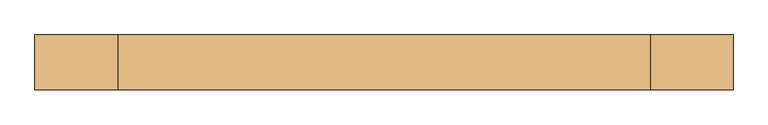
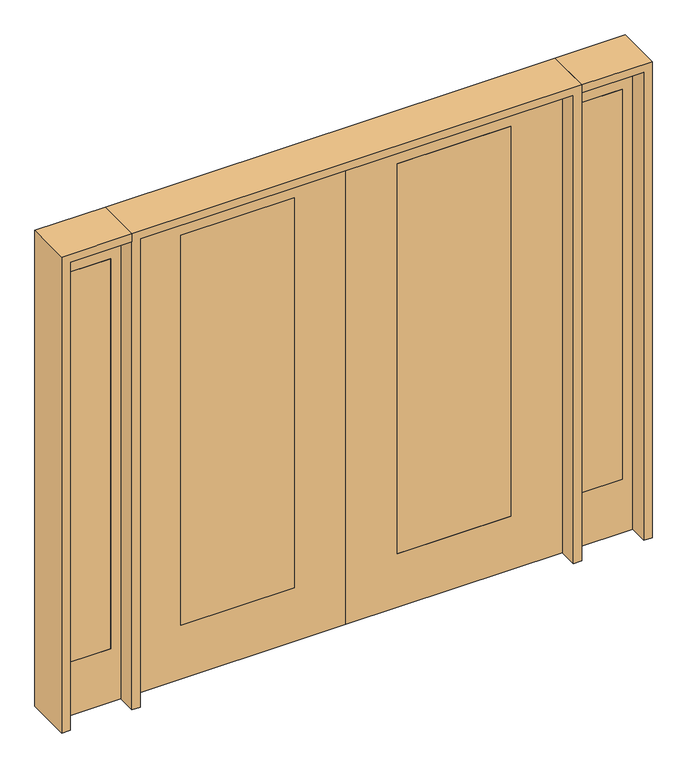
"""IFC4 building model written with IfcOpenShell, lengths in millimetres: door geometry."""

from ifc_helpers import new_model, si_unit, frame, origin, place, context, project, spatial, polyline, outline, extrude, source, transform, mapped, element, save


def door_075dea44(model_context):
    return source(origin(), model_context, "Body", "SweptSolid", [
        extrude(outline(polyline([(1362.075, 20.6375), (1362.075, -20.6375), (1158.875, -20.6375), (1158.875, 20.6375), (1362.075, 20.6375)])), frame((0.0, 0.0, 279.4), z_axis=(0.0, 0.0, 1.0), x_axis=(1.0, 0.0, 0.0)), (0.0, 0.0, 1.0), 2032.0),
        extrude(outline(polyline([(0.0, 1108.075), (0.0, 1412.875), (2438.4, 1412.875), (2438.4, 1108.075), (0.0, 1108.075)]), holes=[polyline([(2311.4, 1362.075), (279.4, 1362.075), (279.4, 1158.875), (2311.4, 1158.875), (2311.4, 1362.075)])]), frame((0.0, -20.6375, 0.0), z_axis=(0.0, 1.0, 0.0), x_axis=(0.0, 0.0, 1.0)), (0.0, 0.0, 1.0), 41.275),
        extrude(outline(polyline([(-1158.875, 20.6375), (-1158.875, -20.6375), (-1362.075, -20.6375), (-1362.075, 20.6375), (-1158.875, 20.6375)])), frame((0.0, 0.0, 279.4), z_axis=(0.0, 0.0, 1.0), x_axis=(1.0, 0.0, 0.0)), (0.0, 0.0, 1.0), 2032.0),
        extrude(outline(polyline([(0.0, -1412.875), (0.0, -1108.075), (2438.4, -1108.075), (2438.4, -1412.875), (0.0, -1412.875)]), holes=[polyline([(2311.4, -1158.875), (279.4, -1158.875), (279.4, -1362.075), (2311.4, -1362.075), (2311.4, -1158.875)])]), frame((0.0, -20.6375, 0.0), z_axis=(0.0, 1.0, 0.0), x_axis=(0.0, 0.0, 1.0)), (0.0, 0.0, 1.0), 41.275),
        extrude(outline(polyline([(2438.4, 1066.8), (2438.4, 0.0), (0.0, 0.0), (0.0, 1066.8), (2438.4, 1066.8)]), holes=[polyline([(279.4, 812.8), (279.4, 254.0), (2311.4, 254.0), (2311.4, 812.8), (279.4, 812.8)])]), frame((0.0, -20.6375, 0.0), z_axis=(0.0, 1.0, 0.0), x_axis=(0.0, 0.0, 1.0)), (0.0, 0.0, 1.0), 41.275),
        extrude(outline(polyline([(254.0, 20.6375), (812.8, 20.6375), (812.8, -20.6375), (254.0, -20.6375), (254.0, 20.6375)])), frame((0.0, 0.0, 279.4), z_axis=(0.0, 0.0, 1.0), x_axis=(1.0, 0.0, 0.0)), (0.0, 0.0, 1.0), 2032.0),
        extrude(outline(polyline([(2438.4, -1066.8), (0.0, -1066.8), (0.0, 0.0), (2438.4, 0.0), (2438.4, -1066.8)]), holes=[polyline([(279.4, -812.8), (2311.4, -812.8), (2311.4, -254.0), (279.4, -254.0), (279.4, -812.8)])]), frame((0.0, -20.6375, 0.0), z_axis=(0.0, 1.0, 0.0), x_axis=(0.0, 0.0, 1.0)), (0.0, 0.0, 1.0), 41.275),
        extrude(outline(polyline([(-254.0, 20.6375), (-254.0, -20.6375), (-812.8, -20.6375), (-812.8, 20.6375), (-254.0, 20.6375)])), frame((0.0, 0.0, 279.4), z_axis=(0.0, 0.0, 1.0), x_axis=(1.0, 0.0, 0.0)), (0.0, 0.0, 1.0), 2032.0),
        extrude(outline(polyline([(2479.675, -1108.075), (2479.675, -1454.15), (0.0, -1454.15), (0.0, -1412.875), (2438.4, -1412.875), (2438.4, -1108.075), (2479.675, -1108.075)])), frame((0.0, -114.3, 0.0), z_axis=(0.0, 1.0, 0.0), x_axis=(0.0, 0.0, 1.0)), (0.0, 0.0, 1.0), 228.6),
        extrude(outline(polyline([(2479.675, -1108.075), (0.0, -1108.075), (0.0, -1066.8), (2438.4, -1066.8), (2438.4, 1066.8), (0.0, 1066.8), (0.0, 1108.075), (2479.675, 1108.075), (2479.675, -1108.075)])), frame((0.0, -114.3, 0.0), z_axis=(0.0, 1.0, 0.0), x_axis=(0.0, 0.0, 1.0)), (0.0, 0.0, 1.0), 228.6),
        extrude(outline(polyline([(0.0, 1454.15), (2479.675, 1454.15), (2479.675, 1108.075), (2438.4, 1108.075), (2438.4, 1412.875), (0.0, 1412.875), (0.0, 1454.15)])), frame((0.0, -114.3, 0.0), z_axis=(0.0, 1.0, 0.0), x_axis=(0.0, 0.0, 1.0)), (0.0, 0.0, 1.0), 228.6),
    ])


if __name__ == "__main__":
    model = new_model("IFC4")
    model_context = context("Model", 3, world=origin())
    ifc_project = project(units=[si_unit("LENGTHUNIT", "METRE", prefix="MILLI")], contexts=[model_context])
    site = spatial("IfcSite", under=ifc_project)
    building = spatial("IfcBuilding", under=site)
    placement = place(None, origin())
    door_shape = door_075dea44(model_context)
    element("IfcDoor", 1, at=placement, inside=building, context=model_context, shape_type="MappedRepresentation", body=[
        mapped(door_shape, transform((0.0, 0.0, 0.0), x_axis=(1.0, 0.0, 0.0), y_axis=(0.0, 1.0, 0.0), z_axis=(0.0, 0.0, 1.0))),
    ])
    save(model, "model.ifc")
